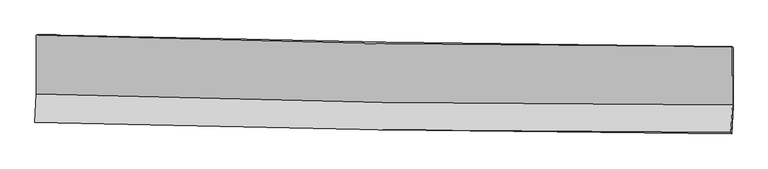
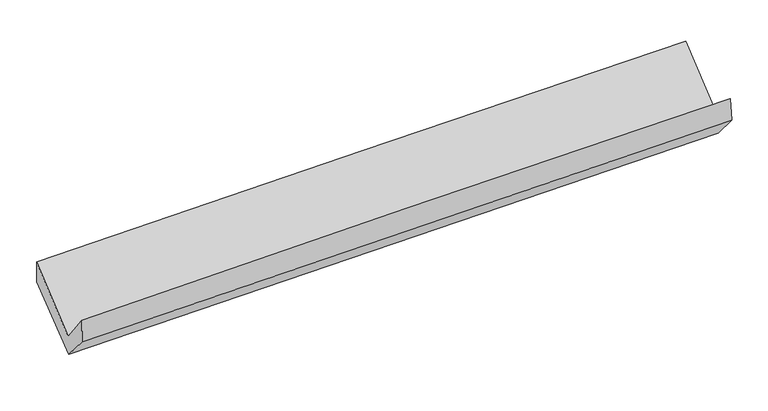
"""IFC4 building model written with IfcOpenShell, lengths in millimetres: proxy geometry."""

from ifc_helpers import new_model, si_unit, frame, origin, place, context, project, spatial, source, transform, mapped, element, save
from ifc_brep_helpers import plane_surface, spline_curve, spline_surface, advanced_brep


def generic_models_a9e7d913(model_context):
    return source(origin(), model_context, "Body", "AdvancedBrep", [
        advanced_brep(
        [(-3031.5653177, -1171.5400844, 2168.5647731), (-3031.2285002, -1684.0819425, 1739.4777396), (3021.3065178, -1779.9450816, 1880.642118), (3020.9713344, -1269.9719579, 2307.5806869), (-3044.9706051, -1931.4346049, 2052.4821952), (3007.6492244, -2019.1522485, 2197.0933201), (-3039.0968334, -1928.2224464, 1835.3931262), (3012.9212804, -2032.5533541, 1989.0106311), (-3026.5890788, -1690.7993952, 1560.4888603), (3025.7736255, -1788.5892639, 1706.5327133), (-3026.0587226, -1167.6885542, 1965.7289159), (3026.2920733, -1277.2241747, 2102.6736474)],
        [
            (0, 1),
            (1, 2, spline_curve(3, [(-3031.2285002, -1684.0819425, 1739.4777396), (-2023.255145926, -1717.996803336, 1779.761185523), (-1014.918145906, -1742.942882305, 1811.666421746), (1002.593447095, -1774.899223603, 1858.723046919), (2011.76811974, -1781.907524239, 1873.872603551), (3021.3065178, -1779.9450816, 1880.642118)], [4, 2, 4], [0.0, 9.932939715655488, 19.866965592096044])),
            (2, 3),
            (3, 0, spline_curve(3, [(3020.9713344, -1269.9719579, 2307.5806869), (2011.432048569, -1270.597568081, 2301.930677894), (1002.256796319, -1262.706802951, 2287.519901313), (-1015.2553417, -1229.894315963, 2241.179347804), (-2023.592306444, -1204.974456826, 2209.251486111), (-3031.5653177, -1171.5400844, 2168.5647731)], [4, 2, 4], [0.0, 9.934025876440556, 19.866965592096044])),
            (1, 4),
            (4, 5, spline_curve(3, [(-3044.9706051, -1931.4346049, 2052.4821952), (-2036.954788696, -1961.275790762, 2094.48765834), (-1028.589489514, -1983.506203977, 2127.541147632), (988.950377049, -2012.747082871, 2175.746813653), (1998.125020986, -2019.755884547, 2190.897032671), (3007.6492244, -2019.1522485, 2197.0933201)], [4, 2, 4], [0.0, 9.932944039985909, 19.866974241229748])),
            (5, 2),
            (4, 6),
            (6, 7, spline_curve(3, [(-3039.0968334, -1928.2224464, 1835.3931262), (-2030.578223858, -1951.957440903, 1863.554248453), (-1022.011651584, -1972.518878444, 1890.435638475), (995.327709156, -2007.29654211, 1941.64175305), (2004.100508116, -2021.512073336, 1965.966198115), (3012.9212804, -2032.5533541, 1989.0106311)], [4, 2, 4], [0.0, 9.932332422559515, 19.865750939496976])),
            (7, 5),
            (6, 8),
            (8, 9, spline_curve(3, [(-3026.5890788, -1690.7993952, 1560.4888603), (-2018.242599219, -1717.801772513, 1592.433176484), (-1009.733383812, -1739.451963884, 1620.575198246), (1007.720815263, -1772.049757693, 1669.257314288), (2016.665834988, -1782.996189047, 1689.796576741), (3025.7736255, -1788.5892639, 1706.5327133)], [4, 2, 4], [0.0, 9.932136003896966, 19.865358080693618])),
            (9, 7),
            (8, 10),
            (10, 11, spline_curve(3, [(-3026.0587226, -1167.6885542, 1965.7289159), (-2017.710193738, -1192.669824913, 1999.238929956), (-1009.200946391, -1214.288113261, 2027.405665807), (1008.249284025, -1250.800722545, 2073.055078524), (2017.1903015, -1265.694307336, 2090.536586128), (3026.2920733, -1277.2241747, 2102.6736474)], [4, 2, 4], [0.0, 9.932226161637649, 19.86553840603368])),
            (11, 9),
            (10, 0),
            (3, 11),
        ],
        [
            spline_surface(3, 3, [[(-3031.5653177, -1171.5400844, 2168.5647731), (-2023.592306455, -1204.974456736, 2209.251486245), (-1015.255341582, -1229.894316096, 2241.179347762), (1002.2567962, -1262.706802818, 2287.519901354), (2011.432048661, -1270.597567944, 2301.930677762), (3020.9713344, -1269.9719579, 2307.5806869)], [(-3031.453045186, -1342.387370426, 2025.535761952), (-2023.47991965, -1375.981905605, 2066.088052725), (-1015.142943018, -1400.910504832, 2098.008372426), (1002.369013211, -1433.437609735, 2144.58761655), (2011.544072337, -1441.034220056, 2159.244653055), (3021.083062187, -1439.962999115, 2165.267830597)], [(-3031.340772714, -1513.234656474, 1882.506750748), (-2023.367532888, -1546.989354494, 1922.924619148), (-1015.030544531, -1571.926693586, 1954.837397076), (1002.481230145, -1604.16841667, 2001.655331731), (2011.656096052, -1611.470872224, 2016.558628357), (3021.194790013, -1609.954040385, 2022.954974303)], [(-3031.2285002, -1684.0819425, 1739.4777396), (-2023.255146083, -1717.996803363, 1779.761185628), (-1014.918145967, -1742.942882322, 1811.66642174), (1002.593447156, -1774.899223586, 1858.723046926), (2011.768119728, -1781.907524336, 1873.87260365), (3021.3065178, -1779.9450816, 1880.642118)]], [4, 4], [4, 2, 4], [0.0, 2.193392309759266], [0.0, 9.932939715655488, 19.866965592096044]),
            spline_surface(3, 3, [[(-3031.2285002, -1684.0819425, 1739.4777396), (-2023.255146083, -1717.996803363, 1779.761185628), (-1014.918145967, -1742.942882322, 1811.66642174), (1002.593447156, -1774.899223586, 1858.723046926), (2011.768119728, -1781.907524336, 1873.87260365), (3021.3065178, -1779.9450816, 1880.642118)], [(-3035.809201825, -1766.532829973, 1843.812558146), (-2027.821693658, -1799.089799195, 1884.670009868), (-1019.475260513, -1823.130656189, 1916.957997007), (998.045757142, -1854.181843391, 1964.397635852), (2007.220420185, -1861.190311047, 1979.547413378), (3016.754086675, -1859.680803896, 1986.125852033)], [(-3040.389903475, -1848.983717427, 1948.147376654), (-2032.388241258, -1880.182795009, 1989.578834072), (-1024.032375046, -1903.318430018, 2022.249572294), (993.498067141, -1933.464463157, 2070.072224798), (2002.672720618, -1940.473097769, 2085.222223107), (3012.201655525, -1939.416526204, 2091.609586067)], [(-3044.9706051, -1931.4346049, 2052.4821952), (-2036.954788834, -1961.275790842, 2094.487658312), (-1028.589489593, -1983.506203886, 2127.541147562), (988.950377127, -2012.747082963, 2175.746813724), (1998.125021075, -2019.75588448, 2190.897032835), (3007.6492244, -2019.1522485, 2197.0933201)]], [4, 4], [4, 2, 4], [0.0, 1.3022327962140547], [0.0, 9.932944039985909, 19.866974241229748]),
            spline_surface(3, 3, [[(-3044.9706051, -1931.4346049, 2052.4821952), (-2036.954788834, -1961.275790842, 2094.487658312), (-1028.589489593, -1983.506203886, 2127.541147562), (988.950377127, -2012.747082963, 2175.746813724), (1998.125021075, -2019.75588448, 2190.897032835), (3007.6492244, -2019.1522485, 2197.0933201)], [(-3043.012681224, -1930.363885388, 1980.119172179), (-2034.829267165, -1958.169674174, 2017.509854983), (-1026.396876942, -1979.843762103, 2048.505977799), (991.076154465, -2010.930235934, 2097.711793524), (2000.116850138, -2020.34128081, 2115.920087965), (3009.406576394, -2023.619283718, 2127.732423768)], [(-3041.054757276, -1929.293165912, 1907.756149221), (-2032.703745424, -1955.063557541, 1940.532051717), (-1024.204264256, -1976.18132039, 1969.4708081), (993.20193184, -2009.113388975, 2019.676773387), (2002.108679219, -2020.926677085, 2040.943143092), (3011.163928406, -2028.086318882, 2058.371527432)], [(-3039.0968334, -1928.2224464, 1835.3931262), (-2030.578223755, -1951.957440873, 1863.554248388), (-1022.011651606, -1972.518878607, 1890.435638338), (995.327709178, -2007.296541947, 1941.641753187), (2004.100508281, -2021.512073415, 1965.966198221), (3012.9212804, -2032.5533541, 1989.0106311)]], [4, 4], [4, 2, 4], [0.0, 0.7737447407583846], [0.0, 9.932332422559515, 19.865750939496976]),
            spline_surface(3, 3, [[(-3039.0968334, -1928.2224464, 1835.3931262), (-2030.578223755, -1951.957440873, 1863.554248388), (-1022.011651606, -1972.518878607, 1890.435638338), (995.327709178, -2007.296541947, 1941.641753187), (2004.100508281, -2021.512073415, 1965.966198221), (3012.9212804, -2032.5533541, 1989.0106311)], [(-3034.927581842, -1849.081429344, 1743.758370905), (-2026.466348855, -1873.905551438, 1773.180557795), (-1017.918895692, -1894.829907093, 1800.482158351), (999.45874455, -1928.880947146, 1850.846940229), (2008.288950466, -1942.006778577, 1873.90965778), (3017.205395435, -1951.231990695, 1894.851325178)], [(-3030.758330358, -1769.940412256, 1652.123615595), (-2022.354474028, -1795.853661971, 1682.806867187), (-1013.826139767, -1817.140935563, 1710.528678286), (1003.589779933, -1850.465352329, 1760.052127192), (2012.477392645, -1862.501483755, 1781.853117305), (3021.489510465, -1869.910627305, 1800.692019222)], [(-3026.5890788, -1690.7993952, 1560.4888603), (-2018.242599127, -1717.801772537, 1592.433176593), (-1009.733383854, -1739.451964049, 1620.5751983), (1007.720815305, -1772.049757528, 1669.257314234), (2016.66583483, -1782.996188918, 1689.796576864), (3025.7736255, -1788.5892639, 1706.5327133)]], [4, 4], [4, 2, 4], [0.0, 1.1760294386020163], [0.0, 9.932136003896966, 19.865358080693618]),
            spline_surface(3, 3, [[(-3026.5890788, -1690.7993952, 1560.4888603), (-2018.242599127, -1717.801772537, 1592.433176593), (-1009.733383854, -1739.451964049, 1620.5751983), (1007.720815305, -1772.049757528, 1669.257314234), (2016.66583483, -1782.996188918, 1689.796576864), (3025.7736255, -1788.5892639, 1706.5327133)], [(-3026.412293398, -1516.429114865, 1695.568878831), (-2018.065130692, -1542.757789967, 1728.035094327), (-1009.555904637, -1564.397347154, 1756.185354162), (1007.896971509, -1598.300079146, 1803.856568938), (2016.840657092, -1610.562228393, 1823.376579937), (3025.946441423, -1618.134234162, 1838.579691325)], [(-3026.235508002, -1342.058834535, 1830.648897369), (-2017.887662262, -1367.713807403, 1863.637012068), (-1009.37842546, -1389.34273029, 1891.795510074), (1008.073127674, -1424.550400794, 1938.455823691), (2017.015479387, -1438.128267881, 1956.956583035), (3026.119257377, -1447.679204438, 1970.626669375)], [(-3026.0587226, -1167.6885542, 1965.7289159), (-2017.710193827, -1192.669824833, 1999.238929802), (-1009.200946244, -1214.288113395, 2027.405665937), (1008.249283878, -1250.800722412, 2073.055078394), (2017.19030165, -1265.694307356, 2090.536586108), (3026.2920733, -1277.2241747, 2102.6736474)]], [4, 4], [4, 2, 4], [0.0, 2.1713718715323465], [0.0, 9.932226161637649, 19.86553840603368]),
            spline_surface(3, 3, [[(-3026.0587226, -1167.6885542, 1965.7289159), (-2017.710193827, -1192.669824833, 1999.238929802), (-1009.200946244, -1214.288113395, 2027.405665937), (1008.249283878, -1250.800722412, 2073.055078394), (2017.19030165, -1265.694307356, 2090.536586108), (3026.2920733, -1277.2241747, 2102.6736474)], [(-3027.894254324, -1168.972397604, 2033.340868288), (-2019.67089806, -1196.771368804, 2069.243115271), (-1011.219078042, -1219.490180983, 2098.663559891), (1006.251787966, -1254.769415902, 2144.543352727), (2015.270884007, -1267.328727566, 2161.001283325), (3024.518493687, -1274.806769114, 2170.975993899)], [(-3029.729785976, -1170.256240996, 2100.952820712), (-2021.631602222, -1200.872912765, 2139.247300776), (-1013.237209784, -1224.692248508, 2169.921453808), (1004.254292112, -1258.738109328, 2216.031627022), (2013.351466304, -1268.963147734, 2231.465980545), (3022.744914013, -1272.389363486, 2239.278340401)], [(-3031.5653177, -1171.5400844, 2168.5647731), (-2023.592306455, -1204.974456736, 2209.251486245), (-1015.255341582, -1229.894316096, 2241.179347762), (1002.2567962, -1262.706802818, 2287.519901354), (2011.432048661, -1270.597567944, 2301.930677762), (3020.9713344, -1269.9719579, 2307.5806869)]], [4, 4], [4, 2, 4], [0.0, 0.7042166593941485], [0.0, 9.932529916246065, 19.866145948465885]),
            plane_surface(frame((3019.1523426, -1694.5726801, 2030.5888528), z_axis=(0.9994071430434814, -0.02171225936420014, 0.02671965993361782), x_axis=(0.000801489189545185, 0.7905397926059388, 0.6124101517134074))),
            plane_surface(frame((-3033.2515096, -1595.6278379, 1887.0226017), z_axis=(-0.9994071430435092, 0.021712259363696553, -0.026719659932985678), x_axis=(0.027133149838477522, 0.01897799694206263, -0.9994516635695344))),
        ],
        [
            (0, [[1, 2, 3, 4]]),
            (1, [[5, 6, 7, -2]]),
            (2, [[8, 9, 10, -6]]),
            (3, [[11, 12, 13, -9]]),
            (4, [[14, 15, 16, -12]]),
            (5, [[17, -4, 18, -15]]),
            (6, [[-16, -18, -3, -7, -10, -13]]),
            (7, [[-17, -14, -11, -8, -5, -1]]),
        ],
    ),
    ])


if __name__ == "__main__":
    model = new_model("IFC4")
    model_context = context("Model", 3, world=origin())
    ifc_project = project(units=[si_unit("LENGTHUNIT", "METRE", prefix="MILLI")], contexts=[model_context])
    site = spatial("IfcSite", under=ifc_project)
    building = spatial("IfcBuilding", under=site)
    placement = place(None, origin())
    generic_models_shape = generic_models_a9e7d913(model_context)
    element("IfcBuildingElementProxy", 1, Name="Generic Models", at=placement, inside=building, context=model_context, shape_type="MappedRepresentation", body=[
        mapped(generic_models_shape, transform((0.0, 0.0, 0.0), x_axis=(1.0, 0.0, 0.0), y_axis=(0.0, 1.0, 0.0), z_axis=(0.0, 0.0, 1.0))),
    ])
    save(model, "model.ifc")
